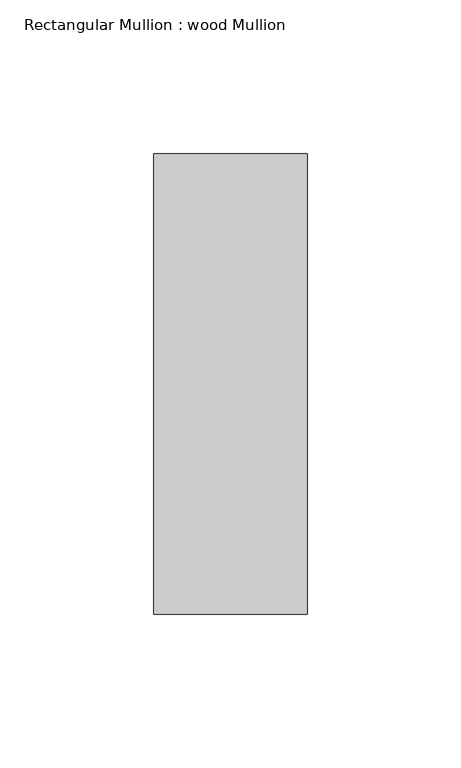
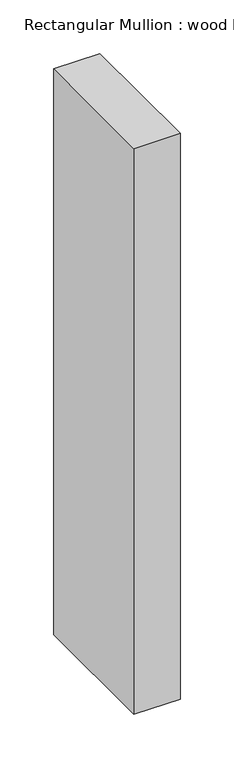
"""IFC4 building model written with IfcOpenShell, lengths in millimetres: member geometry, Rectangular Mullion : wood Mullion."""

from ifc_helpers import new_model, si_unit, frame, origin, place, context, project, spatial, polyline, outline, extrude, source, transform, mapped, element, save


def rectangular_mullion_wood_mullion_f7142129(model_context):
    return source(origin(), model_context, "Body", "SweptSolid", [
        extrude(outline(polyline([(25.0, 75.0), (25.0, -75.0), (-25.0, -75.0), (-25.0, 75.0), (25.0, 75.0)])), frame((0.0, 0.0, -645.0), z_axis=(0.0, 0.0, 1.0), x_axis=(1.0, 0.0, 0.0)), (0.0, 0.0, 1.0), 645.0),
    ])


if __name__ == "__main__":
    model = new_model("IFC4")
    model_context = context("Model", 3, world=origin())
    ifc_project = project(units=[si_unit("LENGTHUNIT", "METRE", prefix="MILLI")], contexts=[model_context])
    site = spatial("IfcSite", under=ifc_project)
    building = spatial("IfcBuilding", under=site)
    placement = place(None, origin())
    rectangular_mullion_wood_mullion_shape = rectangular_mullion_wood_mullion_f7142129(model_context)
    element("IfcMember", 1, ObjectType="Rectangular Mullion : wood Mullion", at=placement, inside=building, context=model_context, shape_type="MappedRepresentation", body=[
        mapped(rectangular_mullion_wood_mullion_shape, transform((0.0, 0.0, 0.0), x_axis=(1.0, 0.0, 0.0), y_axis=(0.0, 1.0, 0.0), z_axis=(0.0, 0.0, 1.0))),
    ])
    save(model, "model.ifc")
